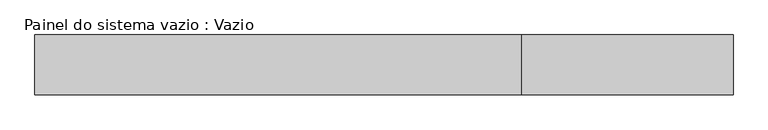
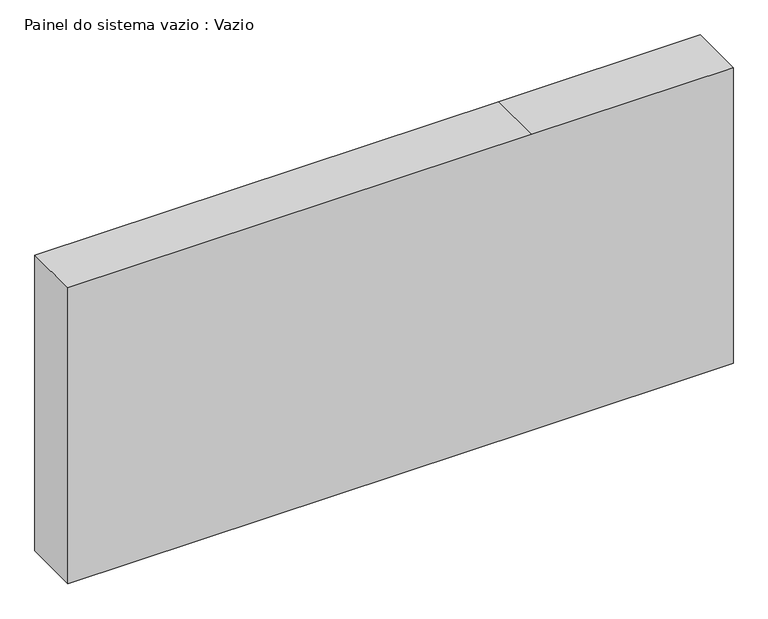
"""IFC4 building model written with IfcOpenShell, lengths in millimetres: plate geometry, Painel do sistema vazio : Vazio."""

from ifc_helpers import new_model, si_unit, frame, origin, place, context, project, spatial, polyline, outline, extrude, source, transform, mapped, element, save


def painel_do_sistema_vazio_vazio_1d5cbf99(model_context):
    return source(origin(), model_context, "Body", "SweptSolid", [
        extrude(outline(polyline([(0.0, -582.5), (0.0, 230.0), (0.0, 582.5), (547.5, 582.5), (547.5, 230.0), (547.5, -582.5), (0.0, -582.5)])), frame((0.0, -50.0, 0.0), z_axis=(0.0, 1.0, 0.0), x_axis=(0.0, 0.0, 1.0)), (0.0, 0.0, 1.0), 100.0),
    ])


if __name__ == "__main__":
    model = new_model("IFC4")
    model_context = context("Model", 3, world=origin())
    ifc_project = project(units=[si_unit("LENGTHUNIT", "METRE", prefix="MILLI")], contexts=[model_context])
    site = spatial("IfcSite", under=ifc_project)
    building = spatial("IfcBuilding", under=site)
    placement = place(None, origin())
    painel_do_sistema_vazio_vazio_shape = painel_do_sistema_vazio_vazio_1d5cbf99(model_context)
    element("IfcPlate", 1, ObjectType="Painel do sistema vazio : Vazio", at=placement, inside=building, context=model_context, shape_type="MappedRepresentation", body=[
        mapped(painel_do_sistema_vazio_vazio_shape, transform((0.0, 0.0, 0.0), x_axis=(1.0, 0.0, 0.0), y_axis=(0.0, 1.0, 0.0), z_axis=(0.0, 0.0, 1.0))),
    ])
    save(model, "model.ifc")
